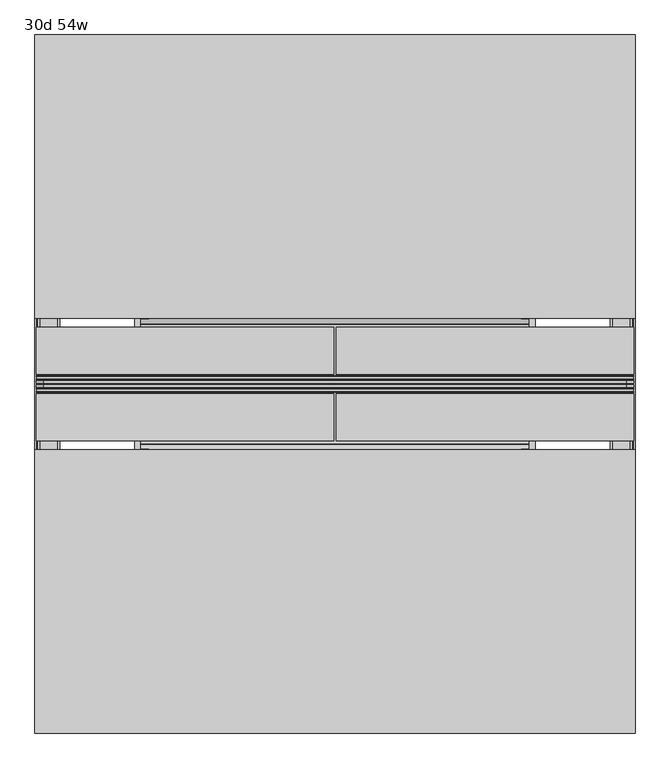
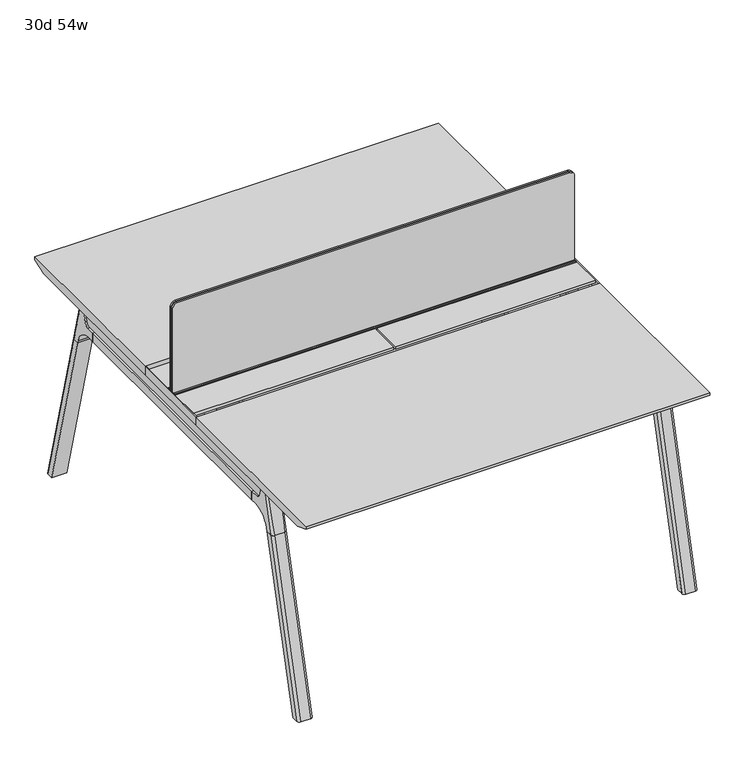
"""IFC4 building model written with IfcOpenShell, lengths in millimetres: furniture geometry, 30d 54w."""

from ifc_helpers import new_model, si_unit, point, frame, frame_2d, origin, place, context, project, spatial, polyline, circle_curve, ellipse_curve, trimmed, segment, composite_curve, outline, extrude, source, transform, mapped, element, save
from ifc_brep_helpers import plane_surface, cylinder_surface, revolved_surface, advanced_brep


def furniture_30d_54w_d50eddfc(model_context):
    return source(origin(), model_context, "Body", "SolidModel", [
        extrude(outline(composite_curve([segment(polyline([(1054.89375, 879.475), (1054.89375, -447.675)]), True, "CONTINUOUS"), segment(trimmed(circle_curve(frame_2d((1039.01875, -447.675)), 15.875), [point((1054.89375, -447.675))], [point((1039.01875, -463.55))], False, "CARTESIAN"), True, "CONTINUOUS"), segment(polyline([(1039.01875, -463.55), (720.725, -463.55), (720.725, 895.35), (1039.01875, 895.35)]), True, "CONTINUOUS"), segment(trimmed(circle_curve(frame_2d((1039.01875, 879.475)), 15.875), [point((1039.01875, 895.35))], [point((1054.89375, 879.475))], False, "CARTESIAN"), True, "CONTINUOUS")], self_intersect=False)), frame((0.0, -201.3409766, 0.0), z_axis=(0.0, 1.0, 0.0), x_axis=(0.0, 0.0, 1.0)), (0.0, 0.0, 1.0), 3.175),
        extrude(outline(composite_curve([segment(polyline([(1058.06875, 882.65), (1058.06875, -450.85)]), True, "CONTINUOUS"), segment(trimmed(circle_curve(frame_2d((1042.19375, -450.85)), 15.875), [point((1058.06875, -450.85))], [point((1042.19375, -466.725))], False, "CARTESIAN"), True, "CONTINUOUS"), segment(polyline([(1042.19375, -466.725), (717.55, -466.725), (717.55, 898.525), (1042.19375, 898.525)]), True, "CONTINUOUS"), segment(trimmed(circle_curve(frame_2d((1042.19375, 882.65)), 15.875), [point((1042.19375, 898.525))], [point((1058.06875, 882.65))], False, "CARTESIAN"), True, "CONTINUOUS")], self_intersect=False)), frame((0.0, -198.1659766, 0.0), z_axis=(0.0, 1.0, 0.0), x_axis=(0.0, 0.0, 1.0)), (0.0, 0.0, 1.0), 5.55625),
        extrude(outline(composite_curve([segment(polyline([(1058.06875, 882.65), (1058.06875, -450.85)]), True, "CONTINUOUS"), segment(trimmed(circle_curve(frame_2d((1042.19375, -450.85)), 15.875), [point((1058.06875, -450.85))], [point((1042.19375, -466.725))], False, "CARTESIAN"), True, "CONTINUOUS"), segment(polyline([(1042.19375, -466.725), (717.55, -466.725), (717.55, 898.525), (1042.19375, 898.525)]), True, "CONTINUOUS"), segment(trimmed(circle_curve(frame_2d((1042.19375, 882.65)), 15.875), [point((1042.19375, 898.525))], [point((1058.06875, 882.65))], False, "CARTESIAN"), True, "CONTINUOUS")], self_intersect=False)), frame((0.0, -206.8972266, 0.0), z_axis=(0.0, 1.0, 0.0), x_axis=(0.0, 0.0, 1.0)), (0.0, 0.0, 1.0), 5.55625),
        extrude(outline(polyline([(-348.9784469, 559.4636683), (-364.040663, 627.7843353), (-35.4662901, 627.7843353), (-50.5285062, 559.4636683), (-46.7502281, 557.2647146), (-46.7502281, 549.3667827), (-62.6252238, 521.8704736), (-336.8817293, 521.8704736), (-352.756725, 549.3667827), (-352.756725, 557.2647146), (-348.9784469, 559.4636683)])), frame((660.4, 0.0, 0.0), z_axis=(1.0, 0.0, 0.0), x_axis=(0.0, 1.0, 0.0)), (0.0, 0.0, 1.0), 12.7),
        extrude(outline(polyline([(-348.9784469, 559.4636683), (-364.040663, 627.7843353), (-35.4662901, 627.7843353), (-50.5285062, 559.4636683), (-46.7502281, 557.2647146), (-46.7502281, 549.3667827), (-62.6252238, 521.8704736), (-336.8817293, 521.8704736), (-352.756725, 549.3667827), (-352.756725, 557.2647146), (-348.9784469, 559.4636683)])), frame((-241.3, 0.0, 0.0), z_axis=(1.0, 0.0, 0.0), x_axis=(0.0, 1.0, 0.0)), (0.0, 0.0, 1.0), 12.7),
        extrude(outline(polyline([(-18.0090763, 698.5), (3.7767266, 698.5), (3.7767266, 697.2935087), (-17.4495292, 697.2935087), (-19.0070753, 695.7359626), (-49.1186716, 559.1528512), (-50.5285062, 559.4636683), (-20.404074, 696.1050023), (-18.0090763, 698.5)])), frame((-241.3, 0.0, 0.0), z_axis=(1.0, 0.0, 0.0), x_axis=(0.0, 1.0, 0.0)), (0.0, 0.0, 1.0), 31.8008024),
        extrude(outline(polyline([(-381.4978768, 698.5), (-379.1028791, 696.1050023), (-348.9784469, 559.4636683), (-350.3882815, 559.1528512), (-380.4998778, 695.7359626), (-382.0574239, 697.2935087), (-403.2836797, 697.2935087), (-403.2836797, 698.5), (-381.4978768, 698.5)])), frame((-241.3, 0.0, 0.0), z_axis=(1.0, 0.0, 0.0), x_axis=(0.0, 1.0, 0.0)), (0.0, 0.0, 1.0), 31.8008024),
        extrude(outline(polyline([(-18.0090763, 698.5), (3.7767266, 698.5), (3.7767266, 697.2935087), (-17.4495292, 697.2935087), (-19.0070753, 695.7359626), (-49.1186716, 559.1528512), (-50.5285062, 559.4636683), (-20.404074, 696.1050023), (-18.0090763, 698.5)])), frame((641.2991976, 0.0, 0.0), z_axis=(1.0, 0.0, 0.0), x_axis=(0.0, 1.0, 0.0)), (0.0, 0.0, 1.0), 31.8008024),
        extrude(outline(polyline([(-381.4978768, 698.5), (-379.1028791, 696.1050023), (-348.9784469, 559.4636683), (-350.3882815, 559.1528512), (-380.4998778, 695.7359626), (-382.0574239, 697.2935087), (-403.2836797, 697.2935087), (-403.2836797, 698.5), (-381.4978768, 698.5)])), frame((641.2991976, 0.0, 0.0), z_axis=(1.0, 0.0, 0.0), x_axis=(0.0, 1.0, 0.0)), (0.0, 0.0, 1.0), 31.8008024),
        extrude(outline(polyline([(-353.550475, 557.5934966), (-351.518477, 559.6254947), (-350.957211, 559.0642287), (-352.756725, 557.2647146), (-352.756725, 549.3667827), (-352.5317745, 548.5272622), (-337.4390802, 522.3859395), (-336.0037101, 521.5572272), (-63.503243, 521.5572272), (-62.0678729, 522.3859395), (-46.9751786, 548.5272622), (-46.7502281, 549.3667827), (-46.7502281, 557.2647146), (-48.5497421, 559.0642287), (-47.9884761, 559.6254947), (-45.9564781, 557.5934966), (-45.9564781, 549.2622828), (-46.2355217, 548.2208856), (-61.4868074, 521.8048744), (-63.2905581, 520.7634772), (-336.216395, 520.7634772), (-338.0201457, 521.8048744), (-353.2714314, 548.2208856), (-353.550475, 549.2622828), (-353.550475, 557.5934966)])), frame((-241.2492037, 0.0, 0.0), z_axis=(1.0, 0.0, 0.0), x_axis=(0.0, 1.0, 0.0)), (0.0, 0.0, 1.0), 914.3492037),
        extrude(outline(polyline([(-218.8034766, 715.9625), (-218.8034766, 741.3625), (-217.2159766, 741.3625), (-217.2159766, 720.725), (-210.8659766, 720.725), (-210.8659766, 741.3625), (-209.2784766, 741.3625), (-209.2784766, 717.55), (-190.2284766, 717.55), (-190.2284766, 741.3625), (-188.6409766, 741.3625), (-188.6409766, 720.725), (-182.2909766, 720.725), (-182.2909766, 741.3625), (-180.7034766, 741.3625), (-180.7034766, 715.9625), (-218.8034766, 715.9625)])), frame((-466.725, 0.0, 0.0), z_axis=(1.0, 0.0, 0.0), x_axis=(0.0, 1.0, 0.0)), (0.0, 0.0, 1.0), 1365.25),
        extrude(outline(composite_curve([segment(polyline([(328.0902734, 711.2), (319.0321726, 677.3947076)]), True, "CONTINUOUS"), segment(trimmed(circle_curve(frame_2d((303.6981001, 681.5034599)), 15.875), [point((319.0321726, 677.3947076))], [point((303.6981001, 665.6284599))], False, "CARTESIAN"), True, "CONTINUOUS"), segment(polyline([(303.6981001, 665.6284599), (-703.2050533, 665.6284599)]), True, "CONTINUOUS"), segment(trimmed(circle_curve(frame_2d((-703.2050533, 681.5034599)), 15.875), [point((-703.2050533, 665.6284599))], [point((-718.5391258, 677.3947076))], False, "CARTESIAN"), True, "CONTINUOUS"), segment(polyline([(-718.5391258, 677.3947076), (-727.5972266, 711.2), (328.0902734, 711.2)]), True, "CONTINUOUS")], self_intersect=False)), frame((850.9, 0.0, 0.0), z_axis=(1.0, 0.0, 0.0), x_axis=(0.0, 1.0, 0.0)), (0.0, 0.0, 1.0), 38.1),
        extrude(outline(polyline([(895.35, 267.7652734), (895.35, -667.2722266), (844.55, -667.2722266), (844.55, 267.7652734), (895.35, 267.7652734)])), frame((0.0, 0.0, 635.6476591), z_axis=(0.0, 0.0, 1.0), x_axis=(1.0, 0.0, 0.0)), (0.0, 0.0, 1.0), 29.9808008),
        extrude(outline(composite_curve([segment(polyline([(328.0902734, 711.2), (319.0321726, 677.3947076)]), True, "CONTINUOUS"), segment(trimmed(circle_curve(frame_2d((303.6981001, 681.5034599)), 15.875), [point((319.0321726, 677.3947076))], [point((303.6981001, 665.6284599))], False, "CARTESIAN"), True, "CONTINUOUS"), segment(polyline([(303.6981001, 665.6284599), (-703.2050533, 665.6284599)]), True, "CONTINUOUS"), segment(trimmed(circle_curve(frame_2d((-703.2050533, 681.5034599)), 15.875), [point((-703.2050533, 665.6284599))], [point((-718.5391258, 677.3947076))], False, "CARTESIAN"), True, "CONTINUOUS"), segment(polyline([(-718.5391258, 677.3947076), (-727.5972266, 711.2), (328.0902734, 711.2)]), True, "CONTINUOUS")], self_intersect=False)), frame((-457.2, 0.0, 0.0), z_axis=(1.0, 0.0, 0.0), x_axis=(0.0, 1.0, 0.0)), (0.0, 0.0, 1.0), 38.1),
        extrude(outline(polyline([(-412.75, 267.7652734), (-412.75, -667.2722266), (-463.55, -667.2722266), (-463.55, 267.7652734), (-412.75, 267.7652734)])), frame((0.0, 0.0, 635.6476591), z_axis=(0.0, 0.0, 1.0), x_axis=(1.0, 0.0, 0.0)), (0.0, 0.0, 1.0), 29.9808008),
        advanced_brep(
        [(844.55, -721.2935553, 711.2), (844.55, -712.2354545, 677.3947076), (844.55, -696.901382, 665.6284599), (844.55, -667.2722266, 665.6284599), (844.55, -667.2722266, 635.6476591), (844.55, -690.1434588, 635.6476591), (844.55, -754.5465633, 586.2294189), (844.55, -757.1047754, 576.6820411), (844.55, -778.2087453, 576.6820411), (844.55, -742.7601017, 711.2), (895.35, -757.1047754, 576.6820411), (895.35, -754.5465633, 586.2294189), (895.35, -690.1434588, 635.6476591), (895.35, -667.2722266, 635.6476591), (895.35, -667.2722266, 665.6284599), (895.35, -696.901382, 665.6284599), (895.35, -712.2354545, 677.3947076), (895.35, -721.2935553, 711.2), (895.35, -742.7601017, 711.2), (895.35, -778.2087453, 576.6820411), (850.8138162, -752.0149462, 711.2), (889.0861838, -752.0149462, 711.2), (885.825, -788.0589247, 576.6820411), (854.075, -788.0589247, 576.6820411)],
        [
            (0, 1),
            (1, 2, circle_curve(frame((844.55, -696.901382, 681.5034599), z_axis=(1.0, 0.0, 0.0), x_axis=(0.0, -1.0, 0.0)), 15.875)),
            (2, 3),
            (3, 4),
            (4, 5),
            (5, 6, circle_curve(frame((844.55, -690.1434588, 568.9726591), z_axis=(1.0, 0.0, 0.0), x_axis=(0.0, -1.0, 0.0)), 66.675)),
            (6, 7),
            (7, 8),
            (8, 9),
            (9, 0),
            (10, 11),
            (11, 12, circle_curve(frame((895.35, -690.1434588, 568.9726591), z_axis=(-1.0, 0.0, 0.0), x_axis=(0.0, -1.0, 0.0)), 66.675)),
            (12, 13),
            (13, 14),
            (14, 15),
            (15, 16, circle_curve(frame((895.35, -696.901382, 681.5034599), z_axis=(-1.0, 0.0, 0.0), x_axis=(0.0, -1.0, 0.0)), 15.875)),
            (16, 17),
            (17, 18),
            (18, 19),
            (19, 10),
            (17, 0),
            (9, 20, ellipse_curve(frame((854.075, -742.7601017, 711.2), z_axis=(0.0, 0.0, 1.0), x_axis=(0.0, -1.0, 0.0)), 9.8501793, 9.525)),
            (20, 21),
            (21, 18, ellipse_curve(frame((885.825, -742.7601017, 711.2), z_axis=(0.0, 0.0, 1.0), x_axis=(0.0, -1.0, 0.0)), 9.8501793, 9.525)),
            (16, 1),
            (15, 2),
            (14, 3),
            (13, 4),
            (12, 5),
            (11, 6),
            (10, 7),
            (19, 22, ellipse_curve(frame((885.825, -778.2087453, 576.6820411), z_axis=(0.0, 0.0, -1.0), x_axis=(0.0, -1.0, 0.0)), 9.8501793, 9.525)),
            (22, 23),
            (23, 8, ellipse_curve(frame((854.075, -778.2087453, 576.6820411), z_axis=(0.0, 0.0, -1.0), x_axis=(0.0, -1.0, 0.0)), 9.8501793, 9.525)),
            (20, 23, ellipse_curve(frame((854.075, -191.6892106, 2802.3641142), z_axis=(0.0, -0.9659258262890684, 0.2588190451025206), x_axis=(0.0, -0.2588190451025206, -0.9659258262890684)), 2304.1956354, 9.525)),
            (22, 21, ellipse_curve(frame((885.825, -191.6892106, 2802.3641142), z_axis=(0.0, -0.9659258262890684, 0.2588190451025206), x_axis=(0.0, -0.2588190451025206, -0.9659258262890684)), 2304.1956354, 9.525)),
        ],
        [
            plane_surface(frame((844.55, -752.0149462, 711.2), z_axis=(-1.0, 0.0, 0.0), x_axis=(0.0, 1.0, 0.0))),
            plane_surface(frame((895.35, -752.0149462, 711.2), z_axis=(1.0, 0.0, 0.0), x_axis=(0.0, -1.0, 0.0))),
            plane_surface(frame((844.55, -752.0149462, 711.2), z_axis=(0.0, 0.0, 1.0), x_axis=(1.0, 0.0, 0.0))),
            plane_surface(frame((844.55, -721.2935553, 711.2), z_axis=(0.0, 0.9659258262890683, 0.2588190451025207), x_axis=(1.0, 0.0, 0.0))),
            revolved_surface(polyline([(895.35, -712.776382, 681.5034599), (844.55, -712.776382, 681.5034599)]), (895.35, -696.901382, 681.5034599), (1.0, 0.0, 0.0)),
            plane_surface(frame((844.55, -696.901382, 665.6284599), z_axis=(0.0, 0.0, 1.0), x_axis=(1.0, 0.0, 0.0))),
            plane_surface(frame((844.55, -667.2722266, 665.6284599), z_axis=(0.0, 1.0, 0.0), x_axis=(1.0, 0.0, 0.0))),
            plane_surface(frame((844.55, -667.2722266, 635.6476591), z_axis=(0.0, 0.0, -1.0), x_axis=(1.0, 0.0, 0.0))),
            revolved_surface(polyline([(895.35, -756.8184587999999, 568.9726591), (844.55, -756.8184587999999, 568.9726591)]), (895.35, -690.1434588, 568.9726591), (1.0, 0.0, 0.0)),
            plane_surface(frame((844.55, -754.5465633, 586.2294189), z_axis=(0.0, 0.9659258262890693, -0.25881904510251696), x_axis=(1.0, 0.0, 0.0))),
            plane_surface(frame((844.55, -757.1047754, 576.6820411), z_axis=(0.0, 0.0, -1.0), x_axis=(1.0, 0.0, 0.0))),
            plane_surface(frame((844.55, -788.0589247, 576.6820411), z_axis=(0.0, -0.9659258262890684, 0.2588190451025206), x_axis=(1.0, 0.0, 0.0))),
            cylinder_surface(frame((854.075, -930.8176402, -2.4271979), z_axis=(0.0, -0.25482392474081483, -0.966987470125486), x_axis=(1.0, 0.0, 0.0)), 9.525),
            cylinder_surface(frame((885.825, -930.8176402, -2.4271979), z_axis=(0.0, -0.25482392474081483, -0.966987470125486), x_axis=(1.0, 0.0, 0.0)), 9.525),
        ],
        [
            (0, [[1, 2, 3, 4, 5, 6, 7, 8, 9, 10]]),
            (1, [[11, 12, 13, 14, 15, 16, 17, 18, 19, 20]]),
            (2, [[21, -10, 22, 23, 24, -18]]),
            (3, [[-1, -21, -17, 25]]),
            (4, [[-2, -25, -16, 26]]),
            (5, [[-3, -26, -15, 27]]),
            (6, [[-4, -27, -14, 28]]),
            (7, [[-5, -28, -13, 29]]),
            (8, [[-6, -29, -12, 30]]),
            (9, [[-7, -30, -11, 31]]),
            (10, [[-31, -20, 32, 33, 34, -8]]),
            (11, [[-23, 35, -33, 36]]),
            (12, [[-9, -34, -35, -22]]),
            (13, [[-19, -24, -36, -32]]),
        ],
    ),
        advanced_brep(
        [(844.55, -757.1047754, 576.6820411), (844.55, -909.0740466, 0.0), (844.55, -930.1780165, 0.0), (844.55, -778.2087453, 576.6820411), (895.35, -909.0740466, 0.0), (895.35, -757.1047754, 576.6820411), (895.35, -778.2087453, 576.6820411), (895.35, -930.1780165, 0.0), (854.075, -788.0589247, 576.6820411), (885.825, -788.0589247, 576.6820411), (885.825, -940.0281958, 0.0), (854.075, -940.0281958, 0.0)],
        [
            (0, 1),
            (1, 2),
            (2, 3),
            (3, 0),
            (4, 5),
            (5, 6),
            (6, 7),
            (7, 4),
            (5, 0),
            (3, 8, ellipse_curve(frame((854.075, -778.2087453, 576.6820411), z_axis=(0.0, 0.0, 1.0), x_axis=(0.0, -1.0, 0.0)), 9.8501793, 9.525)),
            (8, 9),
            (9, 6, ellipse_curve(frame((885.825, -778.2087453, 576.6820411), z_axis=(0.0, 0.0, 1.0), x_axis=(0.0, -1.0, 0.0)), 9.8501793, 9.525)),
            (4, 1),
            (7, 10, ellipse_curve(frame((885.825, -930.1780165, 0.0), z_axis=(0.0, 0.0, -1.0), x_axis=(0.0, -1.0, 0.0)), 9.8501793, 9.525)),
            (10, 11),
            (11, 2, ellipse_curve(frame((854.075, -930.1780165, 0.0), z_axis=(0.0, 0.0, -1.0), x_axis=(0.0, -1.0, 0.0)), 9.8501793, 9.525)),
            (8, 11),
            (10, 9),
        ],
        [
            plane_surface(frame((844.55, -788.0589247, 576.6820411), z_axis=(-1.0, 0.0, 0.0), x_axis=(0.0, 1.0, 0.0))),
            plane_surface(frame((895.35, -788.0589247, 576.6820411), z_axis=(1.0, 0.0, 0.0), x_axis=(0.0, -1.0, 0.0))),
            plane_surface(frame((844.55, -788.0589247, 576.6820411), z_axis=(0.0, 0.0, 1.0), x_axis=(1.0, 0.0, 0.0))),
            plane_surface(frame((844.55, -757.1047754, 576.6820411), z_axis=(0.0, 0.9669874701254844, -0.2548239247408208), x_axis=(1.0, 0.0, 0.0))),
            plane_surface(frame((844.55, -909.0740466, 0.0), z_axis=(0.0, 0.0, -1.0), x_axis=(1.0, 0.0, 0.0))),
            plane_surface(frame((844.55, -940.0281958, 0.0), z_axis=(0.0, -0.9669874701254855, 0.2548239247408166), x_axis=(1.0, 0.0, 0.0))),
            cylinder_surface(frame((854.075, -930.8176402, -2.4271979), z_axis=(0.0, -0.25482392474081483, -0.966987470125486), x_axis=(1.0, 0.0, 0.0)), 9.525),
            cylinder_surface(frame((885.825, -930.8176402, -2.4271979), z_axis=(0.0, -0.25482392474081483, -0.966987470125486), x_axis=(1.0, 0.0, 0.0)), 9.525),
        ],
        [
            (0, [[1, 2, 3, 4]]),
            (1, [[5, 6, 7, 8]]),
            (2, [[9, -4, 10, 11, 12, -6]]),
            (3, [[-1, -9, -5, 13]]),
            (4, [[-13, -8, 14, 15, 16, -2]]),
            (5, [[-11, 17, -15, 18]]),
            (6, [[-3, -16, -17, -10]]),
            (7, [[-7, -12, -18, -14]]),
        ],
    ),
        advanced_brep(
        [(895.35, 321.7866022, 711.2), (895.35, 312.7285014, 677.3947076), (895.35, 297.3944289, 665.6284599), (895.35, 267.7652734, 665.6284599), (895.35, 267.7652734, 635.6476591), (895.35, 290.6365057, 635.6476591), (895.35, 355.0396101, 586.2294189), (895.35, 357.5978223, 576.6820411), (895.35, 378.7017922, 576.6820411), (895.35, 343.2531486, 711.2), (844.55, 357.5978223, 576.6820411), (844.55, 355.0396101, 586.2294189), (844.55, 290.6365057, 635.6476591), (844.55, 267.7652734, 635.6476591), (844.55, 267.7652734, 665.6284599), (844.55, 297.3944289, 665.6284599), (844.55, 312.7285014, 677.3947076), (844.55, 321.7866022, 711.2), (844.55, 343.2531486, 711.2), (844.55, 378.7017922, 576.6820411), (889.0861838, 352.5079931, 711.2), (850.8138162, 352.5079931, 711.2), (854.075, 388.5519716, 576.6820411), (885.825, 388.5519716, 576.6820411)],
        [
            (0, 1),
            (1, 2, circle_curve(frame((895.35, 297.3944289, 681.5034599), z_axis=(-1.0, 0.0, 0.0), x_axis=(0.0, 1.0, 0.0)), 15.875)),
            (2, 3),
            (3, 4),
            (4, 5),
            (5, 6, circle_curve(frame((895.35, 290.6365057, 568.9726591), z_axis=(-1.0, 0.0, 0.0), x_axis=(0.0, 1.0, 0.0)), 66.675)),
            (6, 7),
            (7, 8),
            (8, 9),
            (9, 0),
            (10, 11),
            (11, 12, circle_curve(frame((844.55, 290.6365057, 568.9726591), z_axis=(1.0, 0.0, 0.0), x_axis=(0.0, 1.0, 0.0)), 66.675)),
            (12, 13),
            (13, 14),
            (14, 15),
            (15, 16, circle_curve(frame((844.55, 297.3944289, 681.5034599), z_axis=(1.0, 0.0, 0.0), x_axis=(0.0, 1.0, 0.0)), 15.875)),
            (16, 17),
            (17, 18),
            (18, 19),
            (19, 10),
            (17, 0),
            (9, 20, ellipse_curve(frame((885.825, 343.2531486, 711.2), z_axis=(0.0, 0.0, 1.0), x_axis=(0.0, 1.0, 0.0)), 9.8501793, 9.525)),
            (20, 21),
            (21, 18, ellipse_curve(frame((854.075, 343.2531486, 711.2), z_axis=(0.0, 0.0, 1.0), x_axis=(0.0, 1.0, 0.0)), 9.8501793, 9.525)),
            (16, 1),
            (15, 2),
            (14, 3),
            (13, 4),
            (12, 5),
            (11, 6),
            (10, 7),
            (19, 22, ellipse_curve(frame((854.075, 378.7017922, 576.6820411), z_axis=(0.0, 0.0, -1.0), x_axis=(0.0, 1.0, 0.0)), 9.8501793, 9.525)),
            (22, 23),
            (23, 8, ellipse_curve(frame((885.825, 378.7017922, 576.6820411), z_axis=(0.0, 0.0, -1.0), x_axis=(0.0, 1.0, 0.0)), 9.8501793, 9.525)),
            (20, 23, ellipse_curve(frame((885.825, -207.8177425, 2802.3641142), z_axis=(0.0, 0.9659258262890684, 0.2588190451025206), x_axis=(0.0, 0.2588190451025206, -0.9659258262890684)), 2304.1956354, 9.525)),
            (22, 21, ellipse_curve(frame((854.075, -207.8177425, 2802.3641142), z_axis=(0.0, 0.9659258262890684, 0.2588190451025206), x_axis=(0.0, 0.2588190451025206, -0.9659258262890684)), 2304.1956354, 9.525)),
        ],
        [
            plane_surface(frame((895.35, 352.5079931, 711.2), z_axis=(1.0, 0.0, 0.0), x_axis=(0.0, -1.0, 0.0))),
            plane_surface(frame((844.55, 352.5079931, 711.2), z_axis=(-1.0, 0.0, 0.0), x_axis=(0.0, 1.0, 0.0))),
            plane_surface(frame((895.35, 352.5079931, 711.2), z_axis=(0.0, 0.0, 1.0), x_axis=(-1.0, 0.0, 0.0))),
            plane_surface(frame((895.35, 321.7866022, 711.2), z_axis=(0.0, -0.9659258262890683, 0.2588190451025207), x_axis=(-1.0, 0.0, 0.0))),
            revolved_surface(polyline([(844.55, 313.2694289, 681.5034599), (895.35, 313.2694289, 681.5034599)]), (844.55, 297.3944289, 681.5034599), (-1.0, 0.0, 0.0)),
            plane_surface(frame((895.35, 297.3944289, 665.6284599), z_axis=(0.0, 0.0, 1.0), x_axis=(-1.0, 0.0, 0.0))),
            plane_surface(frame((895.35, 267.7652734, 665.6284599), z_axis=(0.0, -1.0, 0.0), x_axis=(-1.0, 0.0, 0.0))),
            plane_surface(frame((895.35, 267.7652734, 635.6476591), z_axis=(0.0, 0.0, -1.0), x_axis=(-1.0, 0.0, 0.0))),
            revolved_surface(polyline([(844.55, 357.3115057, 568.9726591), (895.35, 357.3115057, 568.9726591)]), (844.55, 290.6365057, 568.9726591), (-1.0, 0.0, 0.0)),
            plane_surface(frame((895.35, 355.0396101, 586.2294189), z_axis=(0.0, -0.9659258262890693, -0.25881904510251696), x_axis=(-1.0, 0.0, 0.0))),
            plane_surface(frame((895.35, 357.5978223, 576.6820411), z_axis=(0.0, 0.0, -1.0), x_axis=(-1.0, 0.0, 0.0))),
            plane_surface(frame((895.35, 388.5519716, 576.6820411), z_axis=(0.0, 0.9659258262890684, 0.2588190451025206), x_axis=(-1.0, 0.0, 0.0))),
            cylinder_surface(frame((885.825, 531.3106871, -2.4271979), z_axis=(0.0, 0.25482392474081483, -0.966987470125486), x_axis=(-1.0, 0.0, 0.0)), 9.525),
            cylinder_surface(frame((854.075, 531.3106871, -2.4271979), z_axis=(0.0, 0.25482392474081483, -0.966987470125486), x_axis=(-1.0, 0.0, 0.0)), 9.525),
        ],
        [
            (0, [[1, 2, 3, 4, 5, 6, 7, 8, 9, 10]]),
            (1, [[11, 12, 13, 14, 15, 16, 17, 18, 19, 20]]),
            (2, [[21, -10, 22, 23, 24, -18]]),
            (3, [[-1, -21, -17, 25]]),
            (4, [[-2, -25, -16, 26]]),
            (5, [[-3, -26, -15, 27]]),
            (6, [[-4, -27, -14, 28]]),
            (7, [[-5, -28, -13, 29]]),
            (8, [[-6, -29, -12, 30]]),
            (9, [[-7, -30, -11, 31]]),
            (10, [[-31, -20, 32, 33, 34, -8]]),
            (11, [[-23, 35, -33, 36]]),
            (12, [[-9, -34, -35, -22]]),
            (13, [[-19, -24, -36, -32]]),
        ],
    ),
        advanced_brep(
        [(895.35, 357.5978223, 576.6820411), (895.35, 509.5670935, 0.0), (895.35, 530.6710634, 0.0), (895.35, 378.7017922, 576.6820411), (844.55, 509.5670935, 0.0), (844.55, 357.5978223, 576.6820411), (844.55, 378.7017922, 576.6820411), (844.55, 530.6710634, 0.0), (885.825, 388.5519716, 576.6820411), (854.075, 388.5519716, 576.6820411), (854.075, 540.5212427, 0.0), (885.825, 540.5212427, 0.0)],
        [
            (0, 1),
            (1, 2),
            (2, 3),
            (3, 0),
            (4, 5),
            (5, 6),
            (6, 7),
            (7, 4),
            (5, 0),
            (3, 8, ellipse_curve(frame((885.825, 378.7017922, 576.6820411), z_axis=(0.0, 0.0, 1.0), x_axis=(0.0, 1.0, 0.0)), 9.8501793, 9.525)),
            (8, 9),
            (9, 6, ellipse_curve(frame((854.075, 378.7017922, 576.6820411), z_axis=(0.0, 0.0, 1.0), x_axis=(0.0, 1.0, 0.0)), 9.8501793, 9.525)),
            (4, 1),
            (7, 10, ellipse_curve(frame((854.075, 530.6710634, 0.0), z_axis=(0.0, 0.0, -1.0), x_axis=(0.0, 1.0, 0.0)), 9.8501793, 9.525)),
            (10, 11),
            (11, 2, ellipse_curve(frame((885.825, 530.6710634, 0.0), z_axis=(0.0, 0.0, -1.0), x_axis=(0.0, 1.0, 0.0)), 9.8501793, 9.525)),
            (8, 11),
            (10, 9),
        ],
        [
            plane_surface(frame((895.35, 388.5519716, 576.6820411), z_axis=(1.0, 0.0, 0.0), x_axis=(0.0, -1.0, 0.0))),
            plane_surface(frame((844.55, 388.5519716, 576.6820411), z_axis=(-1.0, 0.0, 0.0), x_axis=(0.0, 1.0, 0.0))),
            plane_surface(frame((895.35, 388.5519716, 576.6820411), z_axis=(0.0, 0.0, 1.0), x_axis=(-1.0, 0.0, 0.0))),
            plane_surface(frame((895.35, 357.5978223, 576.6820411), z_axis=(0.0, -0.9669874701254844, -0.2548239247408208), x_axis=(-1.0, 0.0, 0.0))),
            plane_surface(frame((895.35, 509.5670935, 0.0), z_axis=(0.0, 0.0, -1.0), x_axis=(-1.0, 0.0, 0.0))),
            plane_surface(frame((895.35, 540.5212427, 0.0), z_axis=(0.0, 0.9669874701254855, 0.2548239247408166), x_axis=(-1.0, 0.0, 0.0))),
            cylinder_surface(frame((885.825, 531.3106871, -2.4271979), z_axis=(0.0, 0.25482392474081483, -0.966987470125486), x_axis=(-1.0, 0.0, 0.0)), 9.525),
            cylinder_surface(frame((854.075, 531.3106871, -2.4271979), z_axis=(0.0, 0.25482392474081483, -0.966987470125486), x_axis=(-1.0, 0.0, 0.0)), 9.525),
        ],
        [
            (0, [[1, 2, 3, 4]]),
            (1, [[5, 6, 7, 8]]),
            (2, [[9, -4, 10, 11, 12, -6]]),
            (3, [[-1, -9, -5, 13]]),
            (4, [[-13, -8, 14, 15, 16, -2]]),
            (5, [[-11, 17, -15, 18]]),
            (6, [[-3, -16, -17, -10]]),
            (7, [[-7, -12, -18, -14]]),
        ],
    ),
        advanced_brep(
        [(-412.75, 321.7866022, 711.2), (-412.75, 312.7285014, 677.3947076), (-412.75, 297.3944289, 665.6284599), (-412.75, 267.7652734, 665.6284599), (-412.75, 267.7652734, 635.6476591), (-412.75, 290.6365057, 635.6476591), (-412.75, 355.0396101, 586.2294189), (-412.75, 357.5978223, 576.6820411), (-412.75, 378.7017922, 576.6820411), (-412.75, 343.2531486, 711.2), (-463.55, 357.5978223, 576.6820411), (-463.55, 355.0396101, 586.2294189), (-463.55, 290.6365057, 635.6476591), (-463.55, 267.7652734, 635.6476591), (-463.55, 267.7652734, 665.6284599), (-463.55, 297.3944289, 665.6284599), (-463.55, 312.7285014, 677.3947076), (-463.55, 321.7866022, 711.2), (-463.55, 343.2531486, 711.2), (-463.55, 378.7017922, 576.6820411), (-419.0138162, 352.5079931, 711.2), (-457.2861838, 352.5079931, 711.2), (-454.025, 388.5519716, 576.6820411), (-422.275, 388.5519716, 576.6820411)],
        [
            (0, 1),
            (1, 2, circle_curve(frame((-412.75, 297.3944289, 681.5034599), z_axis=(-1.0, 0.0, 0.0), x_axis=(0.0, 1.0, 0.0)), 15.875)),
            (2, 3),
            (3, 4),
            (4, 5),
            (5, 6, circle_curve(frame((-412.75, 290.6365057, 568.9726591), z_axis=(-1.0, 0.0, 0.0), x_axis=(0.0, 1.0, 0.0)), 66.675)),
            (6, 7),
            (7, 8),
            (8, 9),
            (9, 0),
            (10, 11),
            (11, 12, circle_curve(frame((-463.55, 290.6365057, 568.9726591), z_axis=(1.0, 0.0, 0.0), x_axis=(0.0, 1.0, 0.0)), 66.675)),
            (12, 13),
            (13, 14),
            (14, 15),
            (15, 16, circle_curve(frame((-463.55, 297.3944289, 681.5034599), z_axis=(1.0, 0.0, 0.0), x_axis=(0.0, 1.0, 0.0)), 15.875)),
            (16, 17),
            (17, 18),
            (18, 19),
            (19, 10),
            (17, 0),
            (9, 20, ellipse_curve(frame((-422.275, 343.2531486, 711.2), z_axis=(0.0, 0.0, 1.0), x_axis=(0.0, 1.0, 0.0)), 9.8501793, 9.525)),
            (20, 21),
            (21, 18, ellipse_curve(frame((-454.025, 343.2531486, 711.2), z_axis=(0.0, 0.0, 1.0), x_axis=(0.0, 1.0, 0.0)), 9.8501793, 9.525)),
            (16, 1),
            (15, 2),
            (14, 3),
            (13, 4),
            (12, 5),
            (11, 6),
            (10, 7),
            (19, 22, ellipse_curve(frame((-454.025, 378.7017922, 576.6820411), z_axis=(0.0, 0.0, -1.0), x_axis=(0.0, 1.0, 0.0)), 9.8501793, 9.525)),
            (22, 23),
            (23, 8, ellipse_curve(frame((-422.275, 378.7017922, 576.6820411), z_axis=(0.0, 0.0, -1.0), x_axis=(0.0, 1.0, 0.0)), 9.8501793, 9.525)),
            (20, 23, ellipse_curve(frame((-422.275, -207.8177425, 2802.3641142), z_axis=(0.0, 0.9659258262890684, 0.2588190451025206), x_axis=(0.0, 0.2588190451025206, -0.9659258262890684)), 2304.1956354, 9.525)),
            (22, 21, ellipse_curve(frame((-454.025, -207.8177425, 2802.3641142), z_axis=(0.0, 0.9659258262890684, 0.2588190451025206), x_axis=(0.0, 0.2588190451025206, -0.9659258262890684)), 2304.1956354, 9.525)),
        ],
        [
            plane_surface(frame((-412.75, 352.5079931, 711.2), z_axis=(1.0, 0.0, 0.0), x_axis=(0.0, -1.0, 0.0))),
            plane_surface(frame((-463.55, 352.5079931, 711.2), z_axis=(-1.0, 0.0, 0.0), x_axis=(0.0, 1.0, 0.0))),
            plane_surface(frame((-412.75, 352.5079931, 711.2), z_axis=(0.0, 0.0, 1.0), x_axis=(-1.0, 0.0, 0.0))),
            plane_surface(frame((-412.75, 321.7866022, 711.2), z_axis=(0.0, -0.9659258262890683, 0.2588190451025207), x_axis=(-1.0, 0.0, 0.0))),
            revolved_surface(polyline([(-463.55, 313.2694289, 681.5034599), (-412.75, 313.2694289, 681.5034599)]), (-463.55, 297.3944289, 681.5034599), (-1.0, 0.0, 0.0)),
            plane_surface(frame((-412.75, 297.3944289, 665.6284599), z_axis=(0.0, 0.0, 1.0), x_axis=(-1.0, 0.0, 0.0))),
            plane_surface(frame((-412.75, 267.7652734, 665.6284599), z_axis=(0.0, -1.0, 0.0), x_axis=(-1.0, 0.0, 0.0))),
            plane_surface(frame((-412.75, 267.7652734, 635.6476591), z_axis=(0.0, 0.0, -1.0), x_axis=(-1.0, 0.0, 0.0))),
            revolved_surface(polyline([(-463.55, 357.3115057, 568.9726591), (-412.75, 357.3115057, 568.9726591)]), (-463.55, 290.6365057, 568.9726591), (-1.0, 0.0, 0.0)),
            plane_surface(frame((-412.75, 355.0396101, 586.2294189), z_axis=(0.0, -0.9659258262890693, -0.25881904510251696), x_axis=(-1.0, 0.0, 0.0))),
            plane_surface(frame((-412.75, 357.5978223, 576.6820411), z_axis=(0.0, 0.0, -1.0), x_axis=(-1.0, 0.0, 0.0))),
            plane_surface(frame((-412.75, 388.5519716, 576.6820411), z_axis=(0.0, 0.9659258262890684, 0.2588190451025206), x_axis=(-1.0, 0.0, 0.0))),
            cylinder_surface(frame((-422.275, 531.3106871, -2.4271979), z_axis=(0.0, 0.25482392474081483, -0.966987470125486), x_axis=(-1.0, 0.0, 0.0)), 9.525),
            cylinder_surface(frame((-454.025, 531.3106871, -2.4271979), z_axis=(0.0, 0.25482392474081483, -0.966987470125486), x_axis=(-1.0, 0.0, 0.0)), 9.525),
        ],
        [
            (0, [[1, 2, 3, 4, 5, 6, 7, 8, 9, 10]]),
            (1, [[11, 12, 13, 14, 15, 16, 17, 18, 19, 20]]),
            (2, [[21, -10, 22, 23, 24, -18]]),
            (3, [[-1, -21, -17, 25]]),
            (4, [[-2, -25, -16, 26]]),
            (5, [[-3, -26, -15, 27]]),
            (6, [[-4, -27, -14, 28]]),
            (7, [[-5, -28, -13, 29]]),
            (8, [[-6, -29, -12, 30]]),
            (9, [[-7, -30, -11, 31]]),
            (10, [[-31, -20, 32, 33, 34, -8]]),
            (11, [[-23, 35, -33, 36]]),
            (12, [[-9, -34, -35, -22]]),
            (13, [[-19, -24, -36, -32]]),
        ],
    ),
        advanced_brep(
        [(-412.75, 357.5978223, 576.6820411), (-412.75, 509.5670935, 0.0), (-412.75, 530.6710634, 0.0), (-412.75, 378.7017922, 576.6820411), (-463.55, 509.5670935, 0.0), (-463.55, 357.5978223, 576.6820411), (-463.55, 378.7017922, 576.6820411), (-463.55, 530.6710634, 0.0), (-422.275, 388.5519716, 576.6820411), (-454.025, 388.5519716, 576.6820411), (-454.025, 540.5212427, 0.0), (-422.275, 540.5212427, 0.0)],
        [
            (0, 1),
            (1, 2),
            (2, 3),
            (3, 0),
            (4, 5),
            (5, 6),
            (6, 7),
            (7, 4),
            (5, 0),
            (3, 8, ellipse_curve(frame((-422.275, 378.7017922, 576.6820411), z_axis=(0.0, 0.0, 1.0), x_axis=(0.0, 1.0, 0.0)), 9.8501793, 9.525)),
            (8, 9),
            (9, 6, ellipse_curve(frame((-454.025, 378.7017922, 576.6820411), z_axis=(0.0, 0.0, 1.0), x_axis=(0.0, 1.0, 0.0)), 9.8501793, 9.525)),
            (4, 1),
            (7, 10, ellipse_curve(frame((-454.025, 530.6710634, 0.0), z_axis=(0.0, 0.0, -1.0), x_axis=(0.0, 1.0, 0.0)), 9.8501793, 9.525)),
            (10, 11),
            (11, 2, ellipse_curve(frame((-422.275, 530.6710634, 0.0), z_axis=(0.0, 0.0, -1.0), x_axis=(0.0, 1.0, 0.0)), 9.8501793, 9.525)),
            (8, 11),
            (10, 9),
        ],
        [
            plane_surface(frame((-412.75, 388.5519716, 576.6820411), z_axis=(1.0, 0.0, 0.0), x_axis=(0.0, -1.0, 0.0))),
            plane_surface(frame((-463.55, 388.5519716, 576.6820411), z_axis=(-1.0, 0.0, 0.0), x_axis=(0.0, 1.0, 0.0))),
            plane_surface(frame((-412.75, 388.5519716, 576.6820411), z_axis=(0.0, 0.0, 1.0), x_axis=(-1.0, 0.0, 0.0))),
            plane_surface(frame((-412.75, 357.5978223, 576.6820411), z_axis=(0.0, -0.9669874701254844, -0.2548239247408208), x_axis=(-1.0, 0.0, 0.0))),
            plane_surface(frame((-412.75, 509.5670935, 0.0), z_axis=(0.0, 0.0, -1.0), x_axis=(-1.0, 0.0, 0.0))),
            plane_surface(frame((-412.75, 540.5212427, 0.0), z_axis=(0.0, 0.9669874701254855, 0.2548239247408166), x_axis=(-1.0, 0.0, 0.0))),
            cylinder_surface(frame((-422.275, 531.3106871, -2.4271979), z_axis=(0.0, 0.25482392474081483, -0.966987470125486), x_axis=(-1.0, 0.0, 0.0)), 9.525),
            cylinder_surface(frame((-454.025, 531.3106871, -2.4271979), z_axis=(0.0, 0.25482392474081483, -0.966987470125486), x_axis=(-1.0, 0.0, 0.0)), 9.525),
        ],
        [
            (0, [[1, 2, 3, 4]]),
            (1, [[5, 6, 7, 8]]),
            (2, [[9, -4, 10, 11, 12, -6]]),
            (3, [[-1, -9, -5, 13]]),
            (4, [[-13, -8, 14, 15, 16, -2]]),
            (5, [[-11, 17, -15, 18]]),
            (6, [[-3, -16, -17, -10]]),
            (7, [[-7, -12, -18, -14]]),
        ],
    ),
        advanced_brep(
        [(-463.55, -721.2935553, 711.2), (-463.55, -712.2354545, 677.3947076), (-463.55, -696.901382, 665.6284599), (-463.55, -667.2722266, 665.6284599), (-463.55, -667.2722266, 635.6476591), (-463.55, -690.1434588, 635.6476591), (-463.55, -754.5465633, 586.2294189), (-463.55, -757.1047754, 576.6820411), (-463.55, -778.2087453, 576.6820411), (-463.55, -742.7601017, 711.2), (-412.75, -757.1047754, 576.6820411), (-412.75, -754.5465633, 586.2294189), (-412.75, -690.1434588, 635.6476591), (-412.75, -667.2722266, 635.6476591), (-412.75, -667.2722266, 665.6284599), (-412.75, -696.901382, 665.6284599), (-412.75, -712.2354545, 677.3947076), (-412.75, -721.2935553, 711.2), (-412.75, -742.7601017, 711.2), (-412.75, -778.2087453, 576.6820411), (-457.2861838, -752.0149462, 711.2), (-419.0138162, -752.0149462, 711.2), (-422.275, -788.0589247, 576.6820411), (-454.025, -788.0589247, 576.6820411)],
        [
            (0, 1),
            (1, 2, circle_curve(frame((-463.55, -696.901382, 681.5034599), z_axis=(1.0, 0.0, 0.0), x_axis=(0.0, -1.0, 0.0)), 15.875)),
            (2, 3),
            (3, 4),
            (4, 5),
            (5, 6, circle_curve(frame((-463.55, -690.1434588, 568.9726591), z_axis=(1.0, 0.0, 0.0), x_axis=(0.0, -1.0, 0.0)), 66.675)),
            (6, 7),
            (7, 8),
            (8, 9),
            (9, 0),
            (10, 11),
            (11, 12, circle_curve(frame((-412.75, -690.1434588, 568.9726591), z_axis=(-1.0, 0.0, 0.0), x_axis=(0.0, -1.0, 0.0)), 66.675)),
            (12, 13),
            (13, 14),
            (14, 15),
            (15, 16, circle_curve(frame((-412.75, -696.901382, 681.5034599), z_axis=(-1.0, 0.0, 0.0), x_axis=(0.0, -1.0, 0.0)), 15.875)),
            (16, 17),
            (17, 18),
            (18, 19),
            (19, 10),
            (17, 0),
            (9, 20, ellipse_curve(frame((-454.025, -742.7601017, 711.2), z_axis=(0.0, 0.0, 1.0), x_axis=(0.0, -1.0, 0.0)), 9.8501793, 9.525)),
            (20, 21),
            (21, 18, ellipse_curve(frame((-422.275, -742.7601017, 711.2), z_axis=(0.0, 0.0, 1.0), x_axis=(0.0, -1.0, 0.0)), 9.8501793, 9.525)),
            (16, 1),
            (15, 2),
            (14, 3),
            (13, 4),
            (12, 5),
            (11, 6),
            (10, 7),
            (19, 22, ellipse_curve(frame((-422.275, -778.2087453, 576.6820411), z_axis=(0.0, 0.0, -1.0), x_axis=(0.0, -1.0, 0.0)), 9.8501793, 9.525)),
            (22, 23),
            (23, 8, ellipse_curve(frame((-454.025, -778.2087453, 576.6820411), z_axis=(0.0, 0.0, -1.0), x_axis=(0.0, -1.0, 0.0)), 9.8501793, 9.525)),
            (20, 23, ellipse_curve(frame((-454.025, -191.6892106, 2802.3641142), z_axis=(0.0, -0.9659258262890684, 0.2588190451025206), x_axis=(0.0, -0.2588190451025206, -0.9659258262890684)), 2304.1956354, 9.525)),
            (22, 21, ellipse_curve(frame((-422.275, -191.6892106, 2802.3641142), z_axis=(0.0, -0.9659258262890684, 0.2588190451025206), x_axis=(0.0, -0.2588190451025206, -0.9659258262890684)), 2304.1956354, 9.525)),
        ],
        [
            plane_surface(frame((-463.55, -752.0149462, 711.2), z_axis=(-1.0, 0.0, 0.0), x_axis=(0.0, 1.0, 0.0))),
            plane_surface(frame((-412.75, -752.0149462, 711.2), z_axis=(1.0, 0.0, 0.0), x_axis=(0.0, -1.0, 0.0))),
            plane_surface(frame((-463.55, -752.0149462, 711.2), z_axis=(0.0, 0.0, 1.0), x_axis=(1.0, 0.0, 0.0))),
            plane_surface(frame((-463.55, -721.2935553, 711.2), z_axis=(0.0, 0.9659258262890683, 0.2588190451025207), x_axis=(1.0, 0.0, 0.0))),
            revolved_surface(polyline([(-412.75, -712.776382, 681.5034599), (-463.55, -712.776382, 681.5034599)]), (-412.75, -696.901382, 681.5034599), (1.0, 0.0, 0.0)),
            plane_surface(frame((-463.55, -696.901382, 665.6284599), z_axis=(0.0, 0.0, 1.0), x_axis=(1.0, 0.0, 0.0))),
            plane_surface(frame((-463.55, -667.2722266, 665.6284599), z_axis=(0.0, 1.0, 0.0), x_axis=(1.0, 0.0, 0.0))),
            plane_surface(frame((-463.55, -667.2722266, 635.6476591), z_axis=(0.0, 0.0, -1.0), x_axis=(1.0, 0.0, 0.0))),
            revolved_surface(polyline([(-412.75, -756.8184587999999, 568.9726591), (-463.55, -756.8184587999999, 568.9726591)]), (-412.75, -690.1434588, 568.9726591), (1.0, 0.0, 0.0)),
            plane_surface(frame((-463.55, -754.5465633, 586.2294189), z_axis=(0.0, 0.9659258262890693, -0.25881904510251696), x_axis=(1.0, 0.0, 0.0))),
            plane_surface(frame((-463.55, -757.1047754, 576.6820411), z_axis=(0.0, 0.0, -1.0), x_axis=(1.0, 0.0, 0.0))),
            plane_surface(frame((-463.55, -788.0589247, 576.6820411), z_axis=(0.0, -0.9659258262890684, 0.2588190451025206), x_axis=(1.0, 0.0, 0.0))),
            cylinder_surface(frame((-454.025, -930.8176402, -2.4271979), z_axis=(0.0, -0.25482392474081483, -0.966987470125486), x_axis=(1.0, 0.0, 0.0)), 9.525),
            cylinder_surface(frame((-422.275, -930.8176402, -2.4271979), z_axis=(0.0, -0.25482392474081483, -0.966987470125486), x_axis=(1.0, 0.0, 0.0)), 9.525),
        ],
        [
            (0, [[1, 2, 3, 4, 5, 6, 7, 8, 9, 10]]),
            (1, [[11, 12, 13, 14, 15, 16, 17, 18, 19, 20]]),
            (2, [[21, -10, 22, 23, 24, -18]]),
            (3, [[-1, -21, -17, 25]]),
            (4, [[-2, -25, -16, 26]]),
            (5, [[-3, -26, -15, 27]]),
            (6, [[-4, -27, -14, 28]]),
            (7, [[-5, -28, -13, 29]]),
            (8, [[-6, -29, -12, 30]]),
            (9, [[-7, -30, -11, 31]]),
            (10, [[-31, -20, 32, 33, 34, -8]]),
            (11, [[-23, 35, -33, 36]]),
            (12, [[-9, -34, -35, -22]]),
            (13, [[-19, -24, -36, -32]]),
        ],
    ),
        advanced_brep(
        [(-463.55, -757.1047754, 576.6820411), (-463.55, -909.0740466, 0.0), (-463.55, -930.1780165, 0.0), (-463.55, -778.2087453, 576.6820411), (-412.75, -909.0740466, 0.0), (-412.75, -757.1047754, 576.6820411), (-412.75, -778.2087453, 576.6820411), (-412.75, -930.1780165, 0.0), (-454.025, -788.0589247, 576.6820411), (-422.275, -788.0589247, 576.6820411), (-422.275, -940.0281958, 0.0), (-454.025, -940.0281958, 0.0)],
        [
            (0, 1),
            (1, 2),
            (2, 3),
            (3, 0),
            (4, 5),
            (5, 6),
            (6, 7),
            (7, 4),
            (5, 0),
            (3, 8, ellipse_curve(frame((-454.025, -778.2087453, 576.6820411), z_axis=(0.0, 0.0, 1.0), x_axis=(0.0, -1.0, 0.0)), 9.8501793, 9.525)),
            (8, 9),
            (9, 6, ellipse_curve(frame((-422.275, -778.2087453, 576.6820411), z_axis=(0.0, 0.0, 1.0), x_axis=(0.0, -1.0, 0.0)), 9.8501793, 9.525)),
            (4, 1),
            (7, 10, ellipse_curve(frame((-422.275, -930.1780165, 0.0), z_axis=(0.0, 0.0, -1.0), x_axis=(0.0, -1.0, 0.0)), 9.8501793, 9.525)),
            (10, 11),
            (11, 2, ellipse_curve(frame((-454.025, -930.1780165, 0.0), z_axis=(0.0, 0.0, -1.0), x_axis=(0.0, -1.0, 0.0)), 9.8501793, 9.525)),
            (8, 11),
            (10, 9),
        ],
        [
            plane_surface(frame((-463.55, -788.0589247, 576.6820411), z_axis=(-1.0, 0.0, 0.0), x_axis=(0.0, 1.0, 0.0))),
            plane_surface(frame((-412.75, -788.0589247, 576.6820411), z_axis=(1.0, 0.0, 0.0), x_axis=(0.0, -1.0, 0.0))),
            plane_surface(frame((-463.55, -788.0589247, 576.6820411), z_axis=(0.0, 0.0, 1.0), x_axis=(1.0, 0.0, 0.0))),
            plane_surface(frame((-463.55, -757.1047754, 576.6820411), z_axis=(0.0, 0.9669874701254844, -0.2548239247408208), x_axis=(1.0, 0.0, 0.0))),
            plane_surface(frame((-463.55, -909.0740466, 0.0), z_axis=(0.0, 0.0, -1.0), x_axis=(1.0, 0.0, 0.0))),
            plane_surface(frame((-463.55, -940.0281958, 0.0), z_axis=(0.0, -0.9669874701254855, 0.2548239247408166), x_axis=(1.0, 0.0, 0.0))),
            cylinder_surface(frame((-454.025, -930.8176402, -2.4271979), z_axis=(0.0, -0.25482392474081483, -0.966987470125486), x_axis=(1.0, 0.0, 0.0)), 9.525),
            cylinder_surface(frame((-422.275, -930.8176402, -2.4271979), z_axis=(0.0, -0.25482392474081483, -0.966987470125486), x_axis=(1.0, 0.0, 0.0)), 9.525),
        ],
        [
            (0, [[1, 2, 3, 4]]),
            (1, [[5, 6, 7, 8]]),
            (2, [[9, -4, 10, 11, 12, -6]]),
            (3, [[-1, -9, -5, 13]]),
            (4, [[-13, -8, 14, 15, 16, -2]]),
            (5, [[-11, 17, -15, 18]]),
            (6, [[-3, -16, -17, -10]]),
            (7, [[-7, -12, -18, -14]]),
        ],
    ),
        extrude(outline(polyline([(-49.7347266, 741.3625), (597.9652734, 741.3625), (597.9652734, 731.8375), (547.1652734, 711.2), (-49.7347266, 711.2), (-49.7347266, 741.3625)])), frame((-469.9, 0.0, 0.0), z_axis=(1.0, 0.0, 0.0), x_axis=(0.0, 1.0, 0.0)), (0.0, 0.0, 1.0), 1371.6),
        extrude(outline(polyline([(-997.4722266, 741.3625), (-349.7722266, 741.3625), (-349.7722266, 711.2), (-946.6722266, 711.2), (-997.4722266, 731.8375), (-997.4722266, 741.3625)])), frame((-469.9, 0.0, 0.0), z_axis=(1.0, 0.0, 0.0), x_axis=(0.0, 1.0, 0.0)), (0.0, 0.0, 1.0), 1371.6),
        extrude(outline(polyline([(212.725, -69.5784766), (212.725, -177.5284766), (-466.725, -177.5284766), (-466.725, -69.5784766), (212.725, -69.5784766)])), frame((0.0, 0.0, 731.8375), z_axis=(0.0, 0.0, 1.0), x_axis=(1.0, 0.0, 0.0)), (0.0, 0.0, 1.0), 9.525),
        extrude(outline(polyline([(212.725, -221.9784766), (212.725, -329.9284766), (-466.725, -329.9284766), (-466.725, -221.9784766), (212.725, -221.9784766)])), frame((0.0, 0.0, 731.8375), z_axis=(0.0, 0.0, 1.0), x_axis=(1.0, 0.0, 0.0)), (0.0, 0.0, 1.0), 9.525),
        extrude(outline(polyline([(898.525, -69.5784766), (898.525, -177.5284766), (219.075, -177.5284766), (219.075, -69.5784766), (898.525, -69.5784766)])), frame((0.0, 0.0, 731.8375), z_axis=(0.0, 0.0, 1.0), x_axis=(1.0, 0.0, 0.0)), (0.0, 0.0, 1.0), 9.525),
        extrude(outline(polyline([(898.525, -221.9784766), (898.525, -329.9284766), (219.075, -329.9284766), (219.075, -221.9784766), (898.525, -221.9784766)])), frame((0.0, 0.0, 731.8375), z_axis=(0.0, 0.0, 1.0), x_axis=(1.0, 0.0, 0.0)), (0.0, 0.0, 1.0), 9.525),
        extrude(outline(polyline([(844.55, 9.7965234), (844.55, -21.9534766), (-412.75, -21.9534766), (-412.75, 9.7965234), (844.55, 9.7965234)])), frame((0.0, 0.0, 646.1125), z_axis=(0.0, 0.0, 1.0), x_axis=(1.0, 0.0, 0.0)), (0.0, 0.0, 1.0), 50.8),
        extrude(outline(polyline([(844.55, -377.5534766), (844.55, -409.3034766), (-412.75, -409.3034766), (-412.75, -377.5534766), (844.55, -377.5534766)])), frame((0.0, 0.0, 646.1125), z_axis=(0.0, 0.0, 1.0), x_axis=(1.0, 0.0, 0.0)), (0.0, 0.0, 1.0), 50.8),
        extrude(outline(polyline([(901.7, -49.7347266), (901.7, -349.7722266), (898.525, -349.7722266), (898.525, -49.7347266), (901.7, -49.7347266)])), frame((0.0, 0.0, 711.2), z_axis=(0.0, 0.0, 1.0), x_axis=(1.0, 0.0, 0.0)), (0.0, 0.0, 1.0), 30.1625),
        extrude(outline(polyline([(-466.725, -49.7347266), (-466.725, -349.7722266), (-469.9, -349.7722266), (-469.9, -49.7347266), (-466.725, -49.7347266)])), frame((0.0, 0.0, 711.2), z_axis=(0.0, 0.0, 1.0), x_axis=(1.0, 0.0, 0.0)), (0.0, 0.0, 1.0), 30.1625),
    ])


if __name__ == "__main__":
    model = new_model("IFC4")
    model_context = context("Model", 3, world=origin())
    ifc_project = project(units=[si_unit("LENGTHUNIT", "METRE", prefix="MILLI")], contexts=[model_context])
    site = spatial("IfcSite", under=ifc_project)
    building = spatial("IfcBuilding", under=site)
    placement = place(None, origin())
    furniture_30d_54w_shape = furniture_30d_54w_d50eddfc(model_context)
    element("IfcFurniture", 1, ObjectType="30d 54w", at=placement, inside=building, context=model_context, shape_type="MappedRepresentation", body=[
        mapped(furniture_30d_54w_shape, transform((0.0, 0.0, 0.0), x_axis=(1.0, 0.0, 0.0), y_axis=(0.0, 1.0, 0.0), z_axis=(0.0, 0.0, 1.0))),
    ])
    save(model, "model.ifc")
